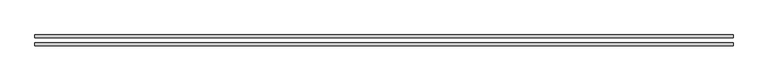
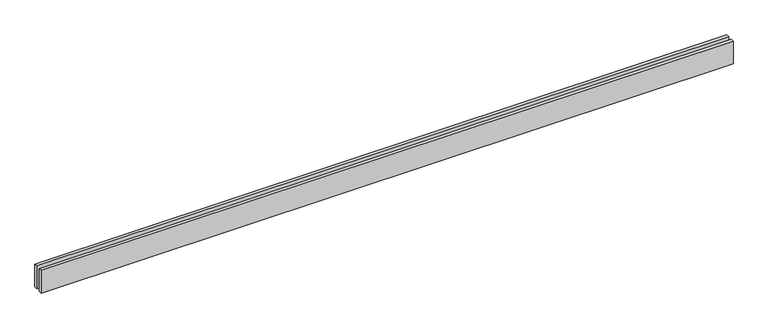
"""IFC4 building model written with IfcOpenShell, lengths in millimetres: proxy geometry."""

from ifc_helpers import new_model, si_unit, origin, origin_with_axes, place, context, project, spatial, polyline, outline, extrude, source, transform, mapped, element, save


def generic_models_607cce33(model_context):
    return source(origin(), model_context, "Body", "SweptSolid", [
        extrude(outline(polyline([(7149.2789463, 25.0), (0.0, 25.0), (0.0, 55.0), (7149.2789463, 55.0), (7149.2789463, 25.0)])), origin_with_axes(), (0.0, 0.0, 1.0), 250.0),
        extrude(outline(polyline([(7149.2789463, -55.0), (0.0, -55.0), (0.0, -25.0), (7149.2789463, -25.0), (7149.2789463, -55.0)])), origin_with_axes(), (0.0, 0.0, 1.0), 250.0),
    ])


if __name__ == "__main__":
    model = new_model("IFC4")
    model_context = context("Model", 3, world=origin())
    ifc_project = project(units=[si_unit("LENGTHUNIT", "METRE", prefix="MILLI")], contexts=[model_context])
    site = spatial("IfcSite", under=ifc_project)
    building = spatial("IfcBuilding", under=site)
    placement = place(None, origin())
    generic_models_shape = generic_models_607cce33(model_context)
    element("IfcBuildingElementProxy", 1, Name="Generic Models", at=placement, inside=building, context=model_context, shape_type="MappedRepresentation", body=[
        mapped(generic_models_shape, transform((0.0, 0.0, 0.0), x_axis=(1.0, 0.0, 0.0), y_axis=(0.0, 1.0, 0.0), z_axis=(0.0, 0.0, 1.0))),
    ])
    save(model, "model.ifc")
